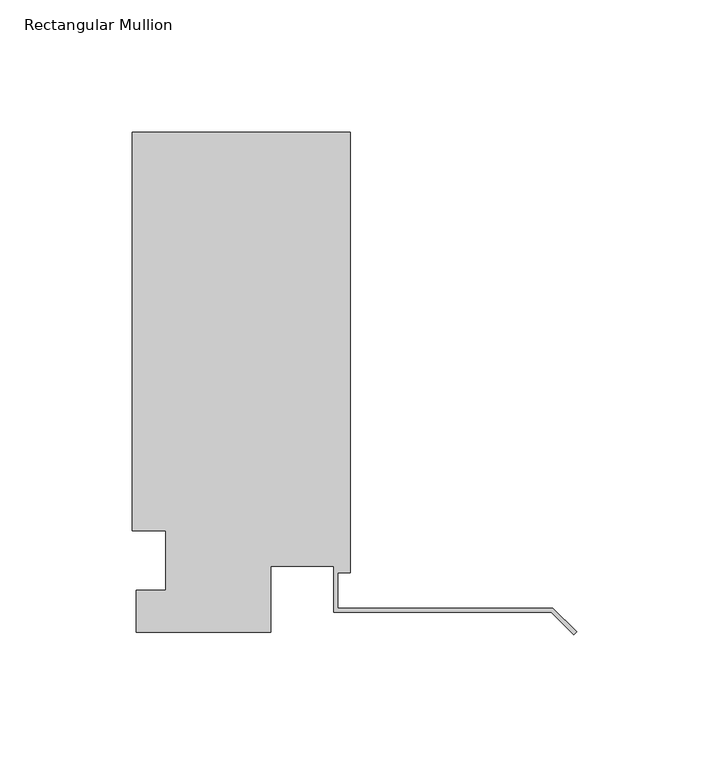
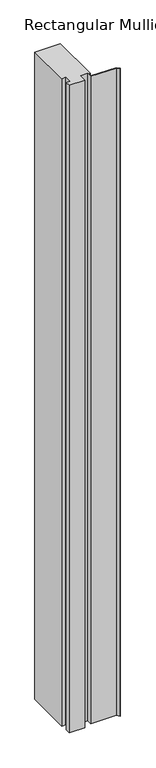
"""IFC4 building model written with IfcOpenShell, lengths in millimetres: member geometry, Rectangular Mullion."""

from ifc_helpers import new_model, si_unit, frame, origin, place, context, project, spatial, polyline, outline, extrude, source, transform, mapped, element, save


def rectangular_mullion_5419f43a(model_context):
    return source(origin(), model_context, "Body", "SweptSolid", [
        extrude(outline(polyline([(-166.5396311, -0.3532188), (-166.5396311, 15.5217812), (-155.4144311, 15.5217812), (-155.4144311, 38.0007813), (-168.1144311, 38.0007813), (-168.1144311, 188.8132813), (-85.5771311, 188.8132813), (-85.5771311, 22.1257812), (-90.3396311, 22.1257812), (-90.3396311, 8.7383736), (-8.9802561, 8.7383736), (0.0, -0.2418825), (-1.122532, -1.3644146), (-9.6378202, 7.1508736), (-91.9271311, 7.1508736), (-91.9271311, 24.5133812), (-115.7396311, 24.5133812), (-115.7396311, -0.3532188), (-166.5396311, -0.3532188)])), frame((0.0, 0.0, -2218.7296875), z_axis=(0.0, 0.0, 1.0), x_axis=(1.0, 0.0, 0.0)), (0.0, 0.0, 1.0), 2218.7296875),
    ])


if __name__ == "__main__":
    model = new_model("IFC4")
    model_context = context("Model", 3, world=origin())
    ifc_project = project(units=[si_unit("LENGTHUNIT", "METRE", prefix="MILLI")], contexts=[model_context])
    site = spatial("IfcSite", under=ifc_project)
    building = spatial("IfcBuilding", under=site)
    placement = place(None, origin())
    rectangular_mullion_shape = rectangular_mullion_5419f43a(model_context)
    element("IfcMember", 1, ObjectType="Rectangular Mullion", at=placement, inside=building, context=model_context, shape_type="MappedRepresentation", body=[
        mapped(rectangular_mullion_shape, transform((0.0, 0.0, 0.0), x_axis=(1.0, 0.0, 0.0), y_axis=(0.0, 1.0, 0.0), z_axis=(0.0, 0.0, 1.0))),
    ])
    save(model, "model.ifc")
